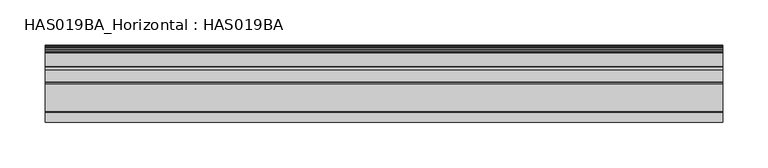
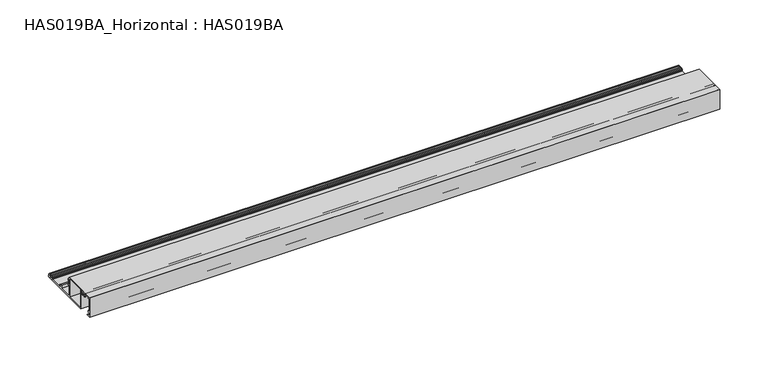
"""IFC4 building model written with IfcOpenShell, lengths in millimetres: beam geometry, HAS019BA_Horizontal : HAS019BA."""

from ifc_helpers import new_model, si_unit, point, frame, frame_2d, origin, place, context, project, spatial, polyline, circle_curve, trimmed, segment, composite_curve, outline, extrude, source, transform, mapped, element, save


def has019ba_horizontal_has019ba_06b40b1b(model_context):
    return source(origin(), model_context, "Body", "SweptSolid", [
        extrude(outline(composite_curve([segment(polyline([(34.8878502, 2.2914045), (34.4108764, 3.1987884)]), True, "CONTINUOUS"), segment(trimmed(circle_curve(frame_2d((35.1970083, 3.362855)), 0.8030699), [point((34.4108764, 3.1987884))], [point((34.6291522, 3.9307111))], False, "CARTESIAN"), True, "CONTINUOUS"), segment(polyline([(34.6291522, 3.9307111), (35.567052, 4.868611), (37.5798426, 4.868611)]), True, "CONTINUOUS"), segment(trimmed(circle_curve(frame_2d((37.5798426, 4.5303283)), 0.3382827), [point((37.5798426, 4.868611))], [point((37.8202, 4.2922873))], False, "CARTESIAN"), True, "CONTINUOUS"), segment(trimmed(circle_curve(frame_2d((38.9613982, 3.1620875)), 1.6061397), [point((37.8202, 4.2922873))], [point((40.1369193, 4.256544))], True, "CARTESIAN"), True, "CONTINUOUS"), segment(trimmed(circle_curve(frame_2d((40.4033411, 4.5045932)), 0.3640178), [point((40.1369193, 4.256544))], [point((40.4033411, 4.868611))], False, "CARTESIAN"), True, "CONTINUOUS"), segment(polyline([(40.4033411, 4.868611), (41.563642, 4.868611)]), True, "CONTINUOUS"), segment(trimmed(circle_curve(frame_2d((38.9613982, 3.1620875)), 3.1118957), [point((41.563642, 4.868611))], [point((41.9177896, 2.1906738))], False, "CARTESIAN"), True, "CONTINUOUS"), segment(trimmed(circle_curve(frame_2d((42.3946269, 2.0339941)), 0.5019187), [point((41.9177896, 2.1906738))], [point((42.2981386, 1.5414372))], True, "CARTESIAN"), True, "CONTINUOUS"), segment(trimmed(circle_curve(frame_2d((42.1485817, 0.7779739)), 0.7779739), [point((42.2981386, 1.5414372))], [point((42.1485817, 0.0))], False, "CARTESIAN"), True, "CONTINUOUS"), segment(polyline([(42.1485817, 0.0), (-23.9792015, 0.0), (-23.9792015, 23.6448196), (-26.2756877, 23.6448196)]), True, "CONTINUOUS"), segment(trimmed(circle_curve(frame_2d((-26.2756877, 23.2432753)), 0.4015444), [point((-26.2756877, 23.6448196))], [point((-26.6384869, 23.0711864))], True, "CARTESIAN"), True, "CONTINUOUS"), segment(trimmed(circle_curve(frame_2d((-29.4501149, 21.7375287)), 3.1118957), [point((-26.6384869, 23.0711864))], [point((-27.1154358, 19.6800623))], False, "CARTESIAN"), True, "CONTINUOUS"), segment(trimmed(circle_curve(frame_2d((-27.6802775, 20.1778364)), 0.752878), [point((-27.1154358, 19.6800623))], [point((-28.2451192, 20.6756106))], False, "CARTESIAN"), True, "CONTINUOUS"), segment(trimmed(circle_curve(frame_2d((-29.4501149, 21.7375287)), 1.6061397), [point((-28.2451192, 20.6756106))], [point((-29.4086423, 23.3431329))], True, "CARTESIAN"), True, "CONTINUOUS"), segment(trimmed(circle_curve(frame_2d((-29.4501149, 21.7375287)), 1.6061397), [point((-29.4086423, 23.3431329))], [point((-30.6551106, 20.6756106))], True, "CARTESIAN"), True, "CONTINUOUS"), segment(trimmed(circle_curve(frame_2d((-31.2199523, 20.1778364)), 0.752878), [point((-30.6551106, 20.6756106))], [point((-31.784794, 19.6800623))], False, "CARTESIAN"), True, "CONTINUOUS"), segment(trimmed(circle_curve(frame_2d((-29.4501149, 21.7375287)), 3.1118957), [point((-31.784794, 19.6800623))], [point((-32.2617574, 23.0711558))], False, "CARTESIAN"), True, "CONTINUOUS"), segment(trimmed(circle_curve(frame_2d((-32.6245803, 23.2432511)), 0.4015685), [point((-32.2617574, 23.0711558))], [point((-32.6245803, 23.6448196))], True, "CARTESIAN"), True, "CONTINUOUS"), segment(polyline([(-32.6245803, 23.6448196), (-38.6352263, 23.6448196), (-38.6352263, 22.6409823)]), True, "CONTINUOUS"), segment(trimmed(circle_curve(frame_2d((-39.137145, 22.6409823)), 0.5019187), [point((-38.6352263, 22.6409823))], [point((-39.6390636, 22.6409823))], False, "CARTESIAN"), True, "CONTINUOUS"), segment(polyline([(-39.6390636, 22.6409823), (-39.6390636, 23.6448196), (-41.1448196, 23.6448196), (-41.1448196, 5.6716808), (-39.6390636, 5.6716808), (-39.6390636, 6.6755182)]), True, "CONTINUOUS"), segment(trimmed(circle_curve(frame_2d((-39.137145, 6.6755182)), 0.5019187), [point((-39.6390636, 6.6755182))], [point((-38.6352263, 6.6755182))], False, "CARTESIAN"), True, "CONTINUOUS"), segment(polyline([(-38.6352263, 6.6755182), (-38.6352263, 5.4709134)]), True, "CONTINUOUS"), segment(trimmed(circle_curve(frame_2d((-39.4382962, 5.4709134)), 0.8030699), [point((-38.6352263, 5.4709134))], [point((-39.4382962, 4.6678435))], False, "CARTESIAN"), True, "CONTINUOUS"), segment(polyline([(-39.4382962, 4.6678435), (-41.1448196, 4.6678435), (-41.1448196, 1.4053722), (-38.1834995, 1.4053722)]), True, "CONTINUOUS"), segment(trimmed(circle_curve(frame_2d((-38.1834995, 0.7026861)), 0.7026861), [point((-38.1834995, 1.4053722))], [point((-38.1834995, 0.0))], False, "CARTESIAN"), True, "CONTINUOUS"), segment(polyline([(-38.1834995, 0.0), (-42.5, 0.0), (-42.5, 25.0), (-0.238449, 25.0), (-0.238449, 22.6409823), (1.4680745, 22.6409823)]), True, "CONTINUOUS"), segment(trimmed(circle_curve(frame_2d((1.4680745, 22.1390636)), 0.5019187), [point((1.4680745, 22.6409823))], [point((1.9699931, 22.1390636))], False, "CARTESIAN"), True, "CONTINUOUS"), segment(polyline([(1.9699931, 22.1390636), (1.9699931, 20.5336914)]), True, "CONTINUOUS"), segment(trimmed(circle_curve(frame_2d((1.4680745, 20.5336914)), 0.5019187), [point((1.9699931, 20.5336914))], [point((0.9661558, 20.5336914))], False, "CARTESIAN"), True, "CONTINUOUS"), segment(polyline([(0.9661558, 20.5336914), (0.9661558, 21.3359938), (-0.4392164, 21.3359938), (-0.4392164, 16.0112052), (0.9661558, 16.0112052), (0.9661558, 16.8135076)]), True, "CONTINUOUS"), segment(trimmed(circle_curve(frame_2d((1.4680745, 16.8135076)), 0.5019187), [point((0.9661558, 16.8135076))], [point((1.9699931, 16.8135076))], False, "CARTESIAN"), True, "CONTINUOUS"), segment(polyline([(1.9699931, 16.8135076), (1.9699931, 15.2081353)]), True, "CONTINUOUS"), segment(trimmed(circle_curve(frame_2d((1.4680745, 15.2081353)), 0.5019187), [point((1.9699931, 15.2081353))], [point((1.4680745, 14.7062167))], False, "CARTESIAN"), True, "CONTINUOUS"), segment(polyline([(1.4680745, 14.7062167), (-0.238449, 14.7062167), (-0.238449, 1.5559478), (16.0237156, 1.5559478), (16.0237156, 4.868611), (18.7340763, 4.868611)]), True, "CONTINUOUS"), segment(trimmed(circle_curve(frame_2d((18.7340763, 4.2663086)), 0.6023024), [point((18.7340763, 4.868611))], [point((19.0108765, 3.7313788))], False, "CARTESIAN"), True, "CONTINUOUS"), segment(polyline([(19.0108765, 3.7313788), (17.3287041, 2.8609364), (17.3287041, 1.5559478), (34.4435728, 1.5559478)]), True, "CONTINUOUS"), segment(trimmed(circle_curve(frame_2d((34.4435728, 2.0578665)), 0.5019187), [point((34.4435728, 1.5559478))], [point((34.8878502, 2.2914045))], True, "CARTESIAN"), True, "CONTINUOUS")], self_intersect=False), holes=[polyline([(-1.7943968, 23.6448196), (-22.4232537, 23.6448196), (-22.4232537, 1.5559478), (-1.7943968, 1.5559478), (-1.7943968, 23.6448196)])]), frame((-374.9040671, 0.0, 0.0), z_axis=(1.0, 0.0, 0.0), x_axis=(0.0, 1.0, 0.0)), (0.0, 0.0, 1.0), 749.8081342),
    ])


if __name__ == "__main__":
    model = new_model("IFC4")
    model_context = context("Model", 3, world=origin())
    ifc_project = project(units=[si_unit("LENGTHUNIT", "METRE", prefix="MILLI")], contexts=[model_context])
    site = spatial("IfcSite", under=ifc_project)
    building = spatial("IfcBuilding", under=site)
    placement = place(None, origin())
    has019ba_horizontal_has019ba_shape = has019ba_horizontal_has019ba_06b40b1b(model_context)
    element("IfcBeam", 1, ObjectType="HAS019BA_Horizontal : HAS019BA", at=placement, inside=building, context=model_context, shape_type="MappedRepresentation", body=[
        mapped(has019ba_horizontal_has019ba_shape, transform((0.0, 0.0, 0.0), x_axis=(1.0, 0.0, 0.0), y_axis=(0.0, 1.0, 0.0), z_axis=(0.0, 0.0, 1.0))),
    ])
    save(model, "model.ifc")
